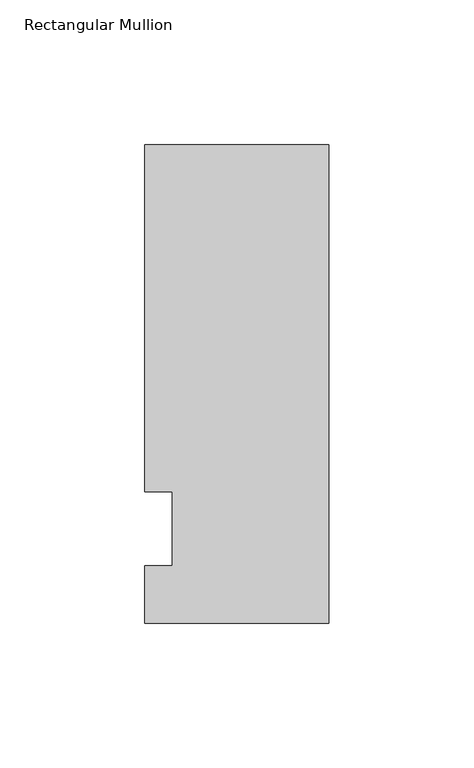
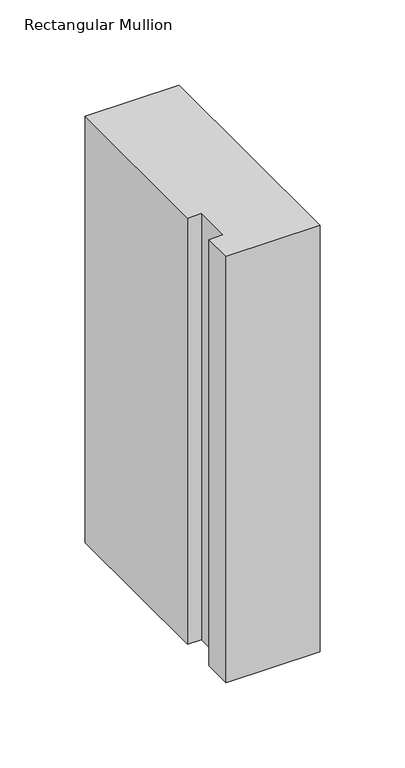
"""IFC4 building model written with IfcOpenShell, lengths in millimetres: member geometry, Rectangular Mullion."""

from ifc_helpers import new_model, si_unit, frame, origin, place, context, project, spatial, polyline, outline, extrude, source, transform, mapped, element, save


def rectangular_mullion_fb90fcbf(model_context):
    return source(origin(), model_context, "Body", "SweptSolid", [
        extrude(outline(polyline([(-63.5, -32.54375), (-63.5, -12.7), (-53.975, -12.7), (-53.975, 12.7), (-63.5, 12.7), (-63.5, 132.55625), (0.0, 132.55625), (0.0, -32.54375), (-63.5, -32.54375)])), frame((0.0, 0.0, -304.8), z_axis=(0.0, 0.0, 1.0), x_axis=(1.0, 0.0, 0.0)), (0.0, 0.0, 1.0), 304.8),
    ])


if __name__ == "__main__":
    model = new_model("IFC4")
    model_context = context("Model", 3, world=origin())
    ifc_project = project(units=[si_unit("LENGTHUNIT", "METRE", prefix="MILLI")], contexts=[model_context])
    site = spatial("IfcSite", under=ifc_project)
    building = spatial("IfcBuilding", under=site)
    placement = place(None, origin())
    rectangular_mullion_shape = rectangular_mullion_fb90fcbf(model_context)
    element("IfcMember", 1, ObjectType="Rectangular Mullion", at=placement, inside=building, context=model_context, shape_type="MappedRepresentation", body=[
        mapped(rectangular_mullion_shape, transform((0.0, 0.0, 0.0), x_axis=(1.0, 0.0, 0.0), y_axis=(0.0, 1.0, 0.0), z_axis=(0.0, 0.0, 1.0))),
    ])
    save(model, "model.ifc")
